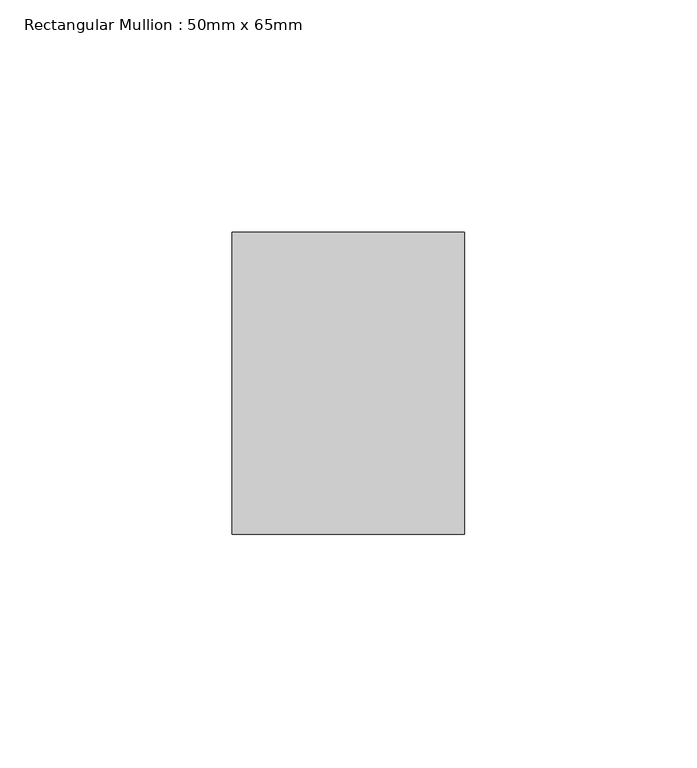
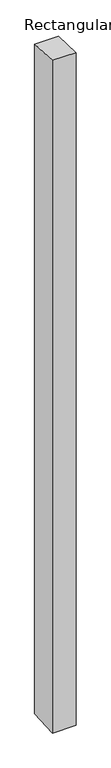
"""IFC4 building model written with IfcOpenShell, lengths in millimetres: member geometry, Rectangular Mullion : 50mm x 65mm."""

import ifcopenshell
import ifcopenshell.guid

model = None  # the IFC model being written
_history = None  # IfcOwnerHistory: only IFC2X3 demands one
_inside = {}  # id of a spatial element -> (the spatial element, [elements in it])
_under = {}  # id of a project, library or spatial element -> (it, [spatial elements below it])
_declared = {}  # id of a project -> (the project, [libraries it declares])
_typed = {}  # id of a type object -> (the type object, [elements of that type])
_made_of = {}  # id of a material, layer set ... -> (it, [elements and type objects made of it])


def new_model(schema):
    """Start an empty IFC model of exactly this schema.

    Asked for "IFC4X3", IfcOpenShell would pick the latest addendum, in which some entities
    have other attributes; the version numbers below select the first issue.
    IFC2X3 requires an IfcOwnerHistory on every rooted entity: one is made here for all.
    """
    global model, _history
    if schema == "IFC4X3":
        model = ifcopenshell.file(schema_version=(4, 3, 0, 0))
    else:
        model = ifcopenshell.file(schema=schema)
    _inside.clear()
    _under.clear()
    _declared.clear()
    _typed.clear()
    _made_of.clear()
    _history = None
    if model.schema == "IFC2X3":
        org = make("IfcOrganization", Name="unknown")
        user = make(
            "IfcPersonAndOrganization",
            ThePerson=make("IfcPerson", FamilyName="unknown"),
            TheOrganization=org,
        )
        app = make(
            "IfcApplication",
            ApplicationDeveloper=org,
            Version="unknown",
            ApplicationFullName="unknown",
            ApplicationIdentifier="unknown",
        )
        _history = make(
            "IfcOwnerHistory",
            OwningUser=user,
            OwningApplication=app,
            ChangeAction="ADDED",
            CreationDate=0,
        )
    return model


def make(cls, **values):
    """One entity of the class cls with the attributes given. An attribute that is None is left unset."""
    return model.create_entity(
        cls, **{name: value for name, value in values.items() if value is not None}
    )


def rooted(cls, **values):
    """An entity with a GlobalId (a new one), such as an element, a storey or a relation."""
    return make(cls, GlobalId=ifcopenshell.guid.new(), OwnerHistory=_history, **values)


def si_unit(unit_type, name, prefix=None):
    """IfcSIUnit, for example si_unit("LENGTHUNIT", "METRE", prefix="MILLI")."""
    return make("IfcSIUnit", UnitType=unit_type, Prefix=prefix, Name=name)


def assignment(units):
    """IfcUnitAssignment: the units of a project."""
    return None if units is None else make("IfcUnitAssignment", Units=units)


def point(xyz):
    """IfcCartesianPoint."""
    return None if xyz is None else make("IfcCartesianPoint", Coordinates=xyz)


def direction(xyz):
    """IfcDirection."""
    return None if xyz is None else make("IfcDirection", DirectionRatios=xyz)


def frame(location, z_axis=None, x_axis=None):
    """IfcAxis2Placement3D, a coordinate frame: its origin and axes. An axis left out is left unset."""
    return make(
        "IfcAxis2Placement3D",
        Location=point(location),
        Axis=direction(z_axis),
        RefDirection=direction(x_axis),
    )


def origin():
    """The frame at (0, 0, 0) with its axes left unset."""
    return frame((0.0, 0.0, 0.0))


def place(relative_to, where):
    """IfcLocalPlacement: puts the frame where relative to a parent placement (None: the world)."""
    return make(
        "IfcLocalPlacement", PlacementRelTo=relative_to, RelativePlacement=where
    )


def context(
    kind, dimensions, precision=None, world=None, true_north=None, identifier=None
):
    """IfcGeometricRepresentationContext, for example the 3D "Model" context."""
    return make(
        "IfcGeometricRepresentationContext",
        ContextIdentifier=identifier,
        ContextType=kind,
        CoordinateSpaceDimension=dimensions,
        Precision=precision,
        WorldCoordinateSystem=world,
        TrueNorth=true_north,
    )


def project(units=None, contexts=None):
    """IfcProject with its units and contexts."""
    return rooted(
        "IfcProject",
        Name="project",
        RepresentationContexts=contexts,
        UnitsInContext=assignment(units),
    )


def spatial(cls, under=None, at=None, **own):
    """A site, building, storey or space (cls), placed at a placement, below another one or the project."""
    s = rooted(cls, ObjectPlacement=at, **own)
    if under is not None:
        _under.setdefault(under.id(), (under, []))[1].append(s)
    return s


def faces_of(points, faces, orient=None, outer=None):
    """IfcFace entities. A face is a list of loops; a loop is a list of indices into points, from 0.

    orient and outer hold one flag for each loop. By default every Orientation is true, the
    first loop of a face is its IfcFaceOuterBound and the others are IfcFaceBound.
    """
    made = []
    for i, loops in enumerate(faces):
        bounds = []
        for j, loop in enumerate(loops):
            is_outer = j == 0 if outer is None else outer[i][j]
            bounds.append(
                make(
                    "IfcFaceOuterBound" if is_outer else "IfcFaceBound",
                    Bound=make("IfcPolyLoop", Polygon=[points[k] for k in loop]),
                    Orientation=True if orient is None else orient[i][j],
                )
            )
        made.append(make("IfcFace", Bounds=bounds))
    return made


def faceted_brep(points, faces, orient=None, outer=None, voids=None):
    """IfcFacetedBrep: a solid bounded by flat faces; with voids (closed shells), ...WithVoids."""
    shared = [point(p) for p in points]
    hull = make("IfcClosedShell", CfsFaces=faces_of(shared, faces, orient, outer))
    if voids is None:
        return make("IfcFacetedBrep", Outer=hull)
    return make(
        "IfcFacetedBrepWithVoids",
        Outer=hull,
        Voids=[
            make(cls, CfsFaces=faces_of(shared, fs, o, b)) for cls, fs, o, b in voids
        ],
    )


def shape(context_of_items, identifier, shape_type, items):
    """IfcShapeRepresentation: the items that make up one representation, for example the "Body"."""
    return make(
        "IfcShapeRepresentation",
        ContextOfItems=context_of_items,
        RepresentationIdentifier=identifier,
        RepresentationType=shape_type,
        Items=items,
    )


def source(mapping_origin, context_of_items, identifier, shape_type, items):
    """IfcRepresentationMap: a shape defined once, which mapped items show again and again."""
    return make(
        "IfcRepresentationMap",
        MappingOrigin=mapping_origin,
        MappedRepresentation=shape(context_of_items, identifier, shape_type, items),
    )


def transform(
    local_origin,
    x_axis=None,
    y_axis=None,
    z_axis=None,
    scale=None,
    scale2=None,
    scale3=None,
    uniform=True,
):
    """IfcCartesianTransformationOperator3D, or its non-uniform kind. x_axis, y_axis, z_axis: its Axis1, 2, 3."""
    if uniform:
        return make(
            "IfcCartesianTransformationOperator3D",
            Axis1=direction(x_axis),
            Axis2=direction(y_axis),
            LocalOrigin=point(local_origin),
            Scale=scale,
            Axis3=direction(z_axis),
        )
    return make(
        "IfcCartesianTransformationOperator3DnonUniform",
        Axis1=direction(x_axis),
        Axis2=direction(y_axis),
        LocalOrigin=point(local_origin),
        Scale=scale,
        Axis3=direction(z_axis),
        Scale2=scale2,
        Scale3=scale3,
    )


def mapped(mapping_source, mapping_target):
    """IfcMappedItem: shows the shape of a source again, moved by a transform."""
    return make(
        "IfcMappedItem", MappingSource=mapping_source, MappingTarget=mapping_target
    )


def made_of(thing, what):
    """Note that an element or type object is made of a material, layer set ...; save() writes the relation."""
    if what is not None:
        _made_of.setdefault(what.id(), (what, []))[1].append(thing)
    return thing


def element(
    cls,
    number,
    at=None,
    inside=None,
    cuts=None,
    type_object=None,
    material=None,
    context=None,
    identifier="Body",
    shape_type=None,
    held_by="IfcProductDefinitionShape",
    body=None,
    shapes=None,
    **own,
):
    """One element of the class cls, such as IfcWall. Its Tag is "e" and its number.

    at: its placement. inside: the storey or other place that contains it. cuts: it is an
    opening in that element (IfcRelVoidsElement). A single representation is given by context,
    identifier, shape_type and body (its items); several are given by shapes. held_by: the class
    of the entity that holds the representations. save() writes the other relations.
    """
    e = rooted(cls, Tag="e%d" % number, ObjectPlacement=at, **own)
    if body is not None:
        shapes = [shape(context, identifier, shape_type, body)]
    if shapes is not None:
        e.Representation = make(held_by, Representations=shapes)
    if inside is not None:
        _inside.setdefault(inside.id(), (inside, []))[1].append(e)
    if cuts is not None:
        rooted(
            "IfcRelVoidsElement", RelatingBuildingElement=cuts, RelatedOpeningElement=e
        )
    if type_object is not None:
        _typed.setdefault(type_object.id(), (type_object, []))[1].append(e)
    return made_of(e, material)


def aggregate(whole, parts):
    """IfcRelAggregates: a whole, such as a stair, and the parts it consists of."""
    return rooted("IfcRelAggregates", RelatingObject=whole, RelatedObjects=parts)


def save(model, path):
    """Write the relations noted so far, then the file.

    IfcRelAggregates (storeys below a building ...), IfcRelContainedInSpatialStructure (elements
    in a storey), IfcRelDefinesByType, IfcRelAssociatesMaterial and IfcRelDeclares: one each for
    every whole, place, type object, material and project.
    """
    for whole, parts in _under.values():
        aggregate(whole, parts)
    for where, things in _inside.values():
        rooted(
            "IfcRelContainedInSpatialStructure",
            RelatedElements=things,
            RelatingStructure=where,
        )
    for kind, things in _typed.values():
        rooted("IfcRelDefinesByType", RelatedObjects=things, RelatingType=kind)
    for what, things in _made_of.values():
        rooted("IfcRelAssociatesMaterial", RelatedObjects=things, RelatingMaterial=what)
    for by, libraries in _declared.values():
        rooted("IfcRelDeclares", RelatingContext=by, RelatedDefinitions=libraries)
    model.write(path)


def rectangular_mullion_50mm_x_65mm_22e93b10(model_context):
    return source(origin(), model_context, "Body", "Brep", [
        faceted_brep([(-25.0, 32.5, -1.4676697), (25.0, 32.5, -1.4676808), (25.0, 32.5, -1498.1022478), (-25.0, 32.5, -1498.1022622), (-25.0, -32.5, 1.4676808), (-25.0, -32.5, -1501.898006), (25.0, -32.5, 1.4676697), (25.0, -32.5, -1501.8979915)], [[[0, 1, 2, 3]], [[4, 0, 3, 5]], [[6, 4, 5, 7]], [[1, 6, 7, 2]], [[1, 0, 4, 6]], [[2, 7, 5, 3]]]),
    ])


if __name__ == "__main__":
    model = new_model("IFC4")
    model_context = context("Model", 3, world=origin())
    ifc_project = project(units=[si_unit("LENGTHUNIT", "METRE", prefix="MILLI")], contexts=[model_context])
    site = spatial("IfcSite", under=ifc_project)
    building = spatial("IfcBuilding", under=site)
    placement = place(None, origin())
    rectangular_mullion_50mm_x_65mm_shape = rectangular_mullion_50mm_x_65mm_22e93b10(model_context)
    element("IfcMember", 1, ObjectType="Rectangular Mullion : 50mm x 65mm", at=placement, inside=building, context=model_context, shape_type="MappedRepresentation", body=[
        mapped(rectangular_mullion_50mm_x_65mm_shape, transform((0.0, 0.0, 0.0), x_axis=(1.0, 0.0, 0.0), y_axis=(0.0, 1.0, 0.0), z_axis=(0.0, 0.0, 1.0))),
    ])
    save(model, "model.ifc")
